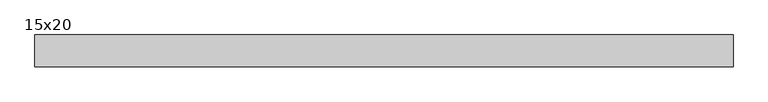
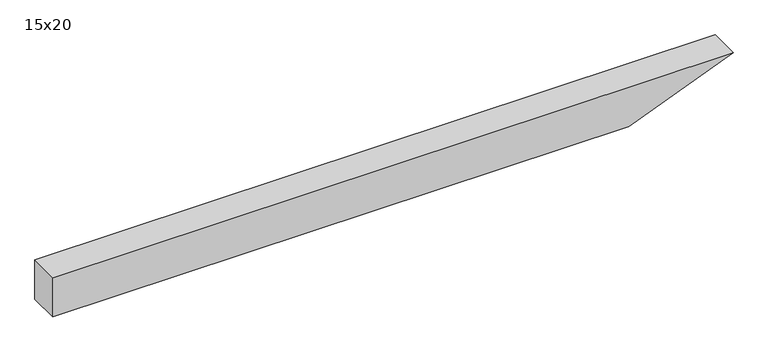
"""IFC4 building model written with IfcOpenShell, lengths in millimetres: beam geometry, 15x20."""

import ifcopenshell
import ifcopenshell.guid

model = None  # the IFC model being written
_history = None  # IfcOwnerHistory: only IFC2X3 demands one
_inside = {}  # id of a spatial element -> (the spatial element, [elements in it])
_under = {}  # id of a project, library or spatial element -> (it, [spatial elements below it])
_declared = {}  # id of a project -> (the project, [libraries it declares])
_typed = {}  # id of a type object -> (the type object, [elements of that type])
_made_of = {}  # id of a material, layer set ... -> (it, [elements and type objects made of it])


def new_model(schema):
    """Start an empty IFC model of exactly this schema.

    Asked for "IFC4X3", IfcOpenShell would pick the latest addendum, in which some entities
    have other attributes; the version numbers below select the first issue.
    IFC2X3 requires an IfcOwnerHistory on every rooted entity: one is made here for all.
    """
    global model, _history
    if schema == "IFC4X3":
        model = ifcopenshell.file(schema_version=(4, 3, 0, 0))
    else:
        model = ifcopenshell.file(schema=schema)
    _inside.clear()
    _under.clear()
    _declared.clear()
    _typed.clear()
    _made_of.clear()
    _history = None
    if model.schema == "IFC2X3":
        org = make("IfcOrganization", Name="unknown")
        user = make(
            "IfcPersonAndOrganization",
            ThePerson=make("IfcPerson", FamilyName="unknown"),
            TheOrganization=org,
        )
        app = make(
            "IfcApplication",
            ApplicationDeveloper=org,
            Version="unknown",
            ApplicationFullName="unknown",
            ApplicationIdentifier="unknown",
        )
        _history = make(
            "IfcOwnerHistory",
            OwningUser=user,
            OwningApplication=app,
            ChangeAction="ADDED",
            CreationDate=0,
        )
    return model


def make(cls, **values):
    """One entity of the class cls with the attributes given. An attribute that is None is left unset."""
    return model.create_entity(
        cls, **{name: value for name, value in values.items() if value is not None}
    )


def rooted(cls, **values):
    """An entity with a GlobalId (a new one), such as an element, a storey or a relation."""
    return make(cls, GlobalId=ifcopenshell.guid.new(), OwnerHistory=_history, **values)


def si_unit(unit_type, name, prefix=None):
    """IfcSIUnit, for example si_unit("LENGTHUNIT", "METRE", prefix="MILLI")."""
    return make("IfcSIUnit", UnitType=unit_type, Prefix=prefix, Name=name)


def assignment(units):
    """IfcUnitAssignment: the units of a project."""
    return None if units is None else make("IfcUnitAssignment", Units=units)


def point(xyz):
    """IfcCartesianPoint."""
    return None if xyz is None else make("IfcCartesianPoint", Coordinates=xyz)


def direction(xyz):
    """IfcDirection."""
    return None if xyz is None else make("IfcDirection", DirectionRatios=xyz)


def frame(location, z_axis=None, x_axis=None):
    """IfcAxis2Placement3D, a coordinate frame: its origin and axes. An axis left out is left unset."""
    return make(
        "IfcAxis2Placement3D",
        Location=point(location),
        Axis=direction(z_axis),
        RefDirection=direction(x_axis),
    )


def origin():
    """The frame at (0, 0, 0) with its axes left unset."""
    return frame((0.0, 0.0, 0.0))


def place(relative_to, where):
    """IfcLocalPlacement: puts the frame where relative to a parent placement (None: the world)."""
    return make(
        "IfcLocalPlacement", PlacementRelTo=relative_to, RelativePlacement=where
    )


def context(
    kind, dimensions, precision=None, world=None, true_north=None, identifier=None
):
    """IfcGeometricRepresentationContext, for example the 3D "Model" context."""
    return make(
        "IfcGeometricRepresentationContext",
        ContextIdentifier=identifier,
        ContextType=kind,
        CoordinateSpaceDimension=dimensions,
        Precision=precision,
        WorldCoordinateSystem=world,
        TrueNorth=true_north,
    )


def project(units=None, contexts=None):
    """IfcProject with its units and contexts."""
    return rooted(
        "IfcProject",
        Name="project",
        RepresentationContexts=contexts,
        UnitsInContext=assignment(units),
    )


def spatial(cls, under=None, at=None, **own):
    """A site, building, storey or space (cls), placed at a placement, below another one or the project."""
    s = rooted(cls, ObjectPlacement=at, **own)
    if under is not None:
        _under.setdefault(under.id(), (under, []))[1].append(s)
    return s


def polyline(points):
    """IfcPolyline through the points."""
    return make("IfcPolyline", Points=[point(p) for p in points])


def outline(outer, holes=None, kind="AREA"):
    """IfcArbitraryClosedProfileDef: a profile drawn as a closed curve; with holes, ...WithVoids."""
    if holes is None:
        return make("IfcArbitraryClosedProfileDef", ProfileType=kind, OuterCurve=outer)
    return make(
        "IfcArbitraryProfileDefWithVoids",
        ProfileType=kind,
        OuterCurve=outer,
        InnerCurves=holes,
    )


def extrude(swept, where, along, depth):
    """IfcExtrudedAreaSolid: the profile swept, set in the frame where, extruded along a direction by depth."""
    return make(
        "IfcExtrudedAreaSolid",
        SweptArea=swept,
        Position=where,
        ExtrudedDirection=direction(along),
        Depth=depth,
    )


def shape(context_of_items, identifier, shape_type, items):
    """IfcShapeRepresentation: the items that make up one representation, for example the "Body"."""
    return make(
        "IfcShapeRepresentation",
        ContextOfItems=context_of_items,
        RepresentationIdentifier=identifier,
        RepresentationType=shape_type,
        Items=items,
    )


def source(mapping_origin, context_of_items, identifier, shape_type, items):
    """IfcRepresentationMap: a shape defined once, which mapped items show again and again."""
    return make(
        "IfcRepresentationMap",
        MappingOrigin=mapping_origin,
        MappedRepresentation=shape(context_of_items, identifier, shape_type, items),
    )


def transform(
    local_origin,
    x_axis=None,
    y_axis=None,
    z_axis=None,
    scale=None,
    scale2=None,
    scale3=None,
    uniform=True,
):
    """IfcCartesianTransformationOperator3D, or its non-uniform kind. x_axis, y_axis, z_axis: its Axis1, 2, 3."""
    if uniform:
        return make(
            "IfcCartesianTransformationOperator3D",
            Axis1=direction(x_axis),
            Axis2=direction(y_axis),
            LocalOrigin=point(local_origin),
            Scale=scale,
            Axis3=direction(z_axis),
        )
    return make(
        "IfcCartesianTransformationOperator3DnonUniform",
        Axis1=direction(x_axis),
        Axis2=direction(y_axis),
        LocalOrigin=point(local_origin),
        Scale=scale,
        Axis3=direction(z_axis),
        Scale2=scale2,
        Scale3=scale3,
    )


def mapped(mapping_source, mapping_target):
    """IfcMappedItem: shows the shape of a source again, moved by a transform."""
    return make(
        "IfcMappedItem", MappingSource=mapping_source, MappingTarget=mapping_target
    )


def made_of(thing, what):
    """Note that an element or type object is made of a material, layer set ...; save() writes the relation."""
    if what is not None:
        _made_of.setdefault(what.id(), (what, []))[1].append(thing)
    return thing


def element(
    cls,
    number,
    at=None,
    inside=None,
    cuts=None,
    type_object=None,
    material=None,
    context=None,
    identifier="Body",
    shape_type=None,
    held_by="IfcProductDefinitionShape",
    body=None,
    shapes=None,
    **own,
):
    """One element of the class cls, such as IfcWall. Its Tag is "e" and its number.

    at: its placement. inside: the storey or other place that contains it. cuts: it is an
    opening in that element (IfcRelVoidsElement). A single representation is given by context,
    identifier, shape_type and body (its items); several are given by shapes. held_by: the class
    of the entity that holds the representations. save() writes the other relations.
    """
    e = rooted(cls, Tag="e%d" % number, ObjectPlacement=at, **own)
    if body is not None:
        shapes = [shape(context, identifier, shape_type, body)]
    if shapes is not None:
        e.Representation = make(held_by, Representations=shapes)
    if inside is not None:
        _inside.setdefault(inside.id(), (inside, []))[1].append(e)
    if cuts is not None:
        rooted(
            "IfcRelVoidsElement", RelatingBuildingElement=cuts, RelatedOpeningElement=e
        )
    if type_object is not None:
        _typed.setdefault(type_object.id(), (type_object, []))[1].append(e)
    return made_of(e, material)


def aggregate(whole, parts):
    """IfcRelAggregates: a whole, such as a stair, and the parts it consists of."""
    return rooted("IfcRelAggregates", RelatingObject=whole, RelatedObjects=parts)


def save(model, path):
    """Write the relations noted so far, then the file.

    IfcRelAggregates (storeys below a building ...), IfcRelContainedInSpatialStructure (elements
    in a storey), IfcRelDefinesByType, IfcRelAssociatesMaterial and IfcRelDeclares: one each for
    every whole, place, type object, material and project.
    """
    for whole, parts in _under.values():
        aggregate(whole, parts)
    for where, things in _inside.values():
        rooted(
            "IfcRelContainedInSpatialStructure",
            RelatedElements=things,
            RelatingStructure=where,
        )
    for kind, things in _typed.values():
        rooted("IfcRelDefinesByType", RelatedObjects=things, RelatingType=kind)
    for what, things in _made_of.values():
        rooted("IfcRelAssociatesMaterial", RelatedObjects=things, RelatingMaterial=what)
    for by, libraries in _declared.values():
        rooted("IfcRelDeclares", RelatingContext=by, RelatedDefinitions=libraries)
    model.write(path)


def beam_15x20_150e626f(model_context):
    return source(origin(), model_context, "Body", "SweptSolid", [
        extrude(outline(polyline([(100.0, -1510.5), (-100.0, -1510.5), (-100.0, 1254.3), (100.0, 1756.5), (100.0, -1510.5)])), frame((0.0, -75.0, 0.0), z_axis=(0.0, 1.0, 0.0), x_axis=(0.0, 0.0, 1.0)), (0.0, 0.0, 1.0), 150.0),
    ])


if __name__ == "__main__":
    model = new_model("IFC4")
    model_context = context("Model", 3, world=origin())
    ifc_project = project(units=[si_unit("LENGTHUNIT", "METRE", prefix="MILLI")], contexts=[model_context])
    site = spatial("IfcSite", under=ifc_project)
    building = spatial("IfcBuilding", under=site)
    placement = place(None, origin())
    beam_15x20_shape = beam_15x20_150e626f(model_context)
    element("IfcBeam", 1, ObjectType="15x20", at=placement, inside=building, context=model_context, shape_type="MappedRepresentation", body=[
        mapped(beam_15x20_shape, transform((0.0, 0.0, 0.0), x_axis=(1.0, 0.0, 0.0), y_axis=(0.0, 1.0, 0.0), z_axis=(0.0, 0.0, 1.0))),
    ])
    save(model, "model.ifc")
